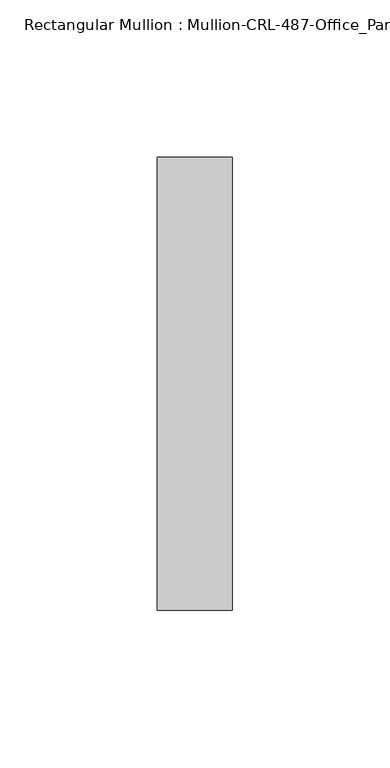
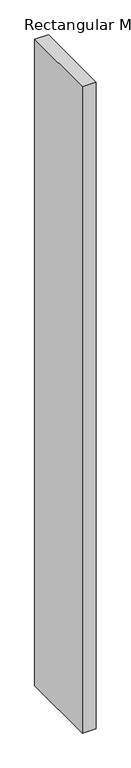
"""IFC4 building model written with IfcOpenShell, lengths in millimetres: member geometry, Rectangular Mullion : Mullion-CRL-487-Office_Partition-Door_Jamb."""

from ifc_helpers import new_model, si_unit, frame, origin, place, context, project, spatial, polyline, outline, extrude, source, transform, mapped, element, save


def rectangular_mullion_mullion_crl_487_office_partition_door_d2af1af4(model_context):
    return source(origin(), model_context, "Body", "SweptSolid", [
        extrude(outline(polyline([(0.0, -71.9452143), (-23.7998, -71.9452143), (-23.7998, 71.9452142), (0.0, 71.9452142), (0.0, -71.9452143)])), frame((0.0, 0.0, -1187.45), z_axis=(0.0, 0.0, 1.0), x_axis=(1.0, 0.0, 0.0)), (0.0, 0.0, 1.0), 1187.45),
    ])


if __name__ == "__main__":
    model = new_model("IFC4")
    model_context = context("Model", 3, world=origin())
    ifc_project = project(units=[si_unit("LENGTHUNIT", "METRE", prefix="MILLI")], contexts=[model_context])
    site = spatial("IfcSite", under=ifc_project)
    building = spatial("IfcBuilding", under=site)
    placement = place(None, origin())
    rectangular_mullion_mullion_crl_487_office_partition_door_shape = rectangular_mullion_mullion_crl_487_office_partition_door_d2af1af4(model_context)
    element("IfcMember", 1, ObjectType="Rectangular Mullion : Mullion-CRL-487-Office_Partition-Door_Jamb", at=placement, inside=building, context=model_context, shape_type="MappedRepresentation", body=[
        mapped(rectangular_mullion_mullion_crl_487_office_partition_door_shape, transform((0.0, 0.0, 0.0), x_axis=(1.0, 0.0, 0.0), y_axis=(0.0, 1.0, 0.0), z_axis=(0.0, 0.0, 1.0))),
    ])
    save(model, "model.ifc")
